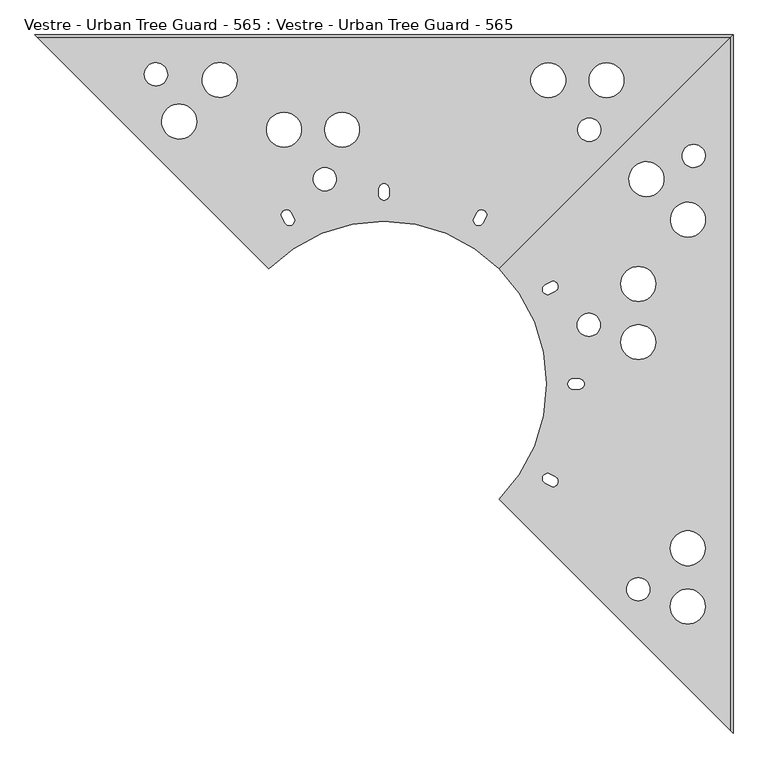
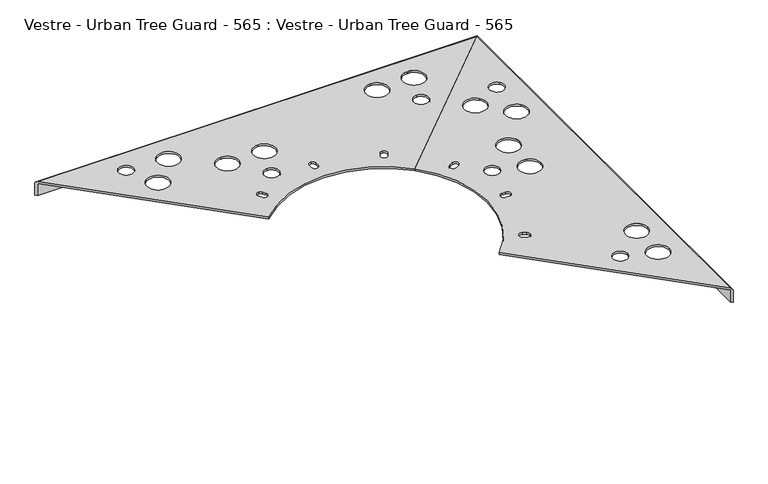
"""IFC4 building model written with IfcOpenShell, lengths in millimetres: furniture geometry, Vestre - Urban Tree Guard - 565 : Vestre - Urban Tree Guard - 565."""

from ifc_helpers import new_model, si_unit, frame, origin, place, context, project, spatial, polyline, circle_curve, ellipse_curve, source, transform, mapped, element, save
from ifc_brep_helpers import plane_surface, cylinder_surface, revolved_surface, advanced_brep


def vestre_urban_tree_guard_565_vestre_urban_tree_guard_565_dd06b250(model_context):
    return source(origin(), model_context, "Body", "AdvancedBrep", [
        advanced_brep(
        [(197.9898987, 197.9898987, 40.0), (197.9898987, -197.9898987, 40.0), (594.8, -594.8, 40.0), (594.8, 594.8, 40.0), (552.0929701, -382.4874784, 40.0), (492.0929701, -382.4874784, 40.0), (552.0929701, -282.4874784, 40.0), (492.0929701, -282.4874784, 40.0), (456.9653019, -352.8474801, 40.0), (416.9653019, -352.8474801, 40.0), (467.1830447, 71.9919609, 40.0), (407.1830447, 71.9919609, 40.0), (467.1830447, 171.9919609, 40.0), (407.1830447, 171.9919609, 40.0), (372.0553765, 101.6319592, 40.0), (332.0553765, 101.6319592, 40.0), (428.7496591, 332.1105133, 40.0), (473.3383486, 372.2583496, 40.0), (500.1600798, 262.237018, 40.0), (544.7487693, 302.3848543, 40.0), (517.2691252, 378.6111607, 40.0), (546.9949182, 405.376385, 40.0), (285.9582562, 154.7057714, 40.0), (276.9582562, 170.2942286, 40.0), (285.6185103, 175.2942286, 40.0), (299.1185103, 167.5, 40.0), (294.6185103, 159.7057714, 40.0), (335.0, 9.0, 40.0), (344.0, 0.0, 40.0), (335.0, -9.0, 40.0), (325.0, -9.0, 40.0), (325.0, 9.0, 40.0), (294.6185103, -159.7057714, 40.0), (299.1185103, -167.5, 40.0), (285.6185103, -175.2942286, 40.0), (276.9582562, -170.2942286, 40.0), (285.9582562, -154.7057714, 40.0), (600.0, 600.0, 0.0), (600.0, -600.0, 0.0), (594.8, -594.8, 0.0), (594.8, 594.8, 0.0), (594.8, 594.8, 35.0), (197.9898987, 197.9898987, 35.0), (600.0, 600.0, 34.8), (197.9898987, -197.9898987, 35.0), (600.0, -600.0, 34.8), (594.8, -594.8, 35.0), (552.0929701, -382.4874784, 35.0), (492.0929701, -382.4874784, 35.0), (552.0929701, -282.4874784, 35.0), (492.0929701, -282.4874784, 35.0), (456.9653019, -352.8474801, 35.0), (416.9653019, -352.8474801, 35.0), (467.1830447, 71.9919609, 35.0), (407.1830447, 71.9919609, 35.0), (467.1830447, 171.9919609, 35.0), (407.1830447, 171.9919609, 35.0), (372.0553765, 101.6319592, 35.0), (332.0553765, 101.6319592, 35.0), (428.7496591, 332.1105133, 35.0), (473.3383486, 372.2583496, 35.0), (500.1600798, 262.237018, 35.0), (544.7487693, 302.3848543, 35.0), (517.2691252, 378.6111607, 35.0), (546.9949182, 405.376385, 35.0), (285.9582562, 154.7057714, 35.0), (276.9582562, 170.2942286, 35.0), (285.6185103, 175.2942286, 35.0), (299.1185103, 167.5, 35.0), (294.6185103, 159.7057714, 35.0), (335.0, 9.0, 35.0), (344.0, 0.0, 35.0), (335.0, -9.0, 35.0), (325.0, -9.0, 35.0), (325.0, 9.0, 35.0), (294.6185103, -159.7057714, 35.0), (299.1185103, -167.5, 35.0), (285.6185103, -175.2942286, 35.0), (276.9582562, -170.2942286, 35.0), (285.9582562, -154.7057714, 35.0)],
        [
            (0, 1, circle_curve(frame((0.0, 0.0, 40.0), z_axis=(0.0, 0.0, -1.0), x_axis=(-1.0, 0.0, 0.0)), 280.0)),
            (1, 2),
            (2, 3),
            (3, 0),
            (4, 5, circle_curve(frame((522.0929701, -382.4874784, 40.0), z_axis=(0.0, 0.0, -1.0), x_axis=(-1.0, 0.0, 0.0)), 30.0)),
            (5, 4, circle_curve(frame((522.0929701, -382.4874784, 40.0), z_axis=(0.0, 0.0, -1.0), x_axis=(-1.0, 0.0, 0.0)), 30.0)),
            (6, 7, circle_curve(frame((522.0929701, -282.4874784, 40.0), z_axis=(0.0, 0.0, -1.0), x_axis=(-1.0, 0.0, 0.0)), 30.0)),
            (7, 6, circle_curve(frame((522.0929701, -282.4874784, 40.0), z_axis=(0.0, 0.0, -1.0), x_axis=(-1.0, 0.0, 0.0)), 30.0)),
            (8, 9, circle_curve(frame((436.9653019, -352.8474801, 40.0), z_axis=(0.0, 0.0, -1.0), x_axis=(-1.0, 0.0, 0.0)), 20.0)),
            (9, 8, circle_curve(frame((436.9653019, -352.8474801, 40.0), z_axis=(0.0, 0.0, -1.0), x_axis=(-1.0, 0.0, 0.0)), 20.0)),
            (10, 11, circle_curve(frame((437.1830447, 71.9919609, 40.0), z_axis=(0.0, 0.0, -1.0), x_axis=(-1.0, 0.0, 0.0)), 30.0)),
            (11, 10, circle_curve(frame((437.1830447, 71.9919609, 40.0), z_axis=(0.0, 0.0, -1.0), x_axis=(-1.0, 0.0, 0.0)), 30.0)),
            (12, 13, circle_curve(frame((437.1830447, 171.9919609, 40.0), z_axis=(0.0, 0.0, -1.0), x_axis=(-1.0, 0.0, 0.0)), 30.0)),
            (13, 12, circle_curve(frame((437.1830447, 171.9919609, 40.0), z_axis=(0.0, 0.0, -1.0), x_axis=(-1.0, 0.0, 0.0)), 30.0)),
            (14, 15, circle_curve(frame((352.0553765, 101.6319592, 40.0), z_axis=(0.0, 0.0, -1.0), x_axis=(-1.0, 0.0, 0.0)), 20.0)),
            (15, 14, circle_curve(frame((352.0553765, 101.6319592, 40.0), z_axis=(0.0, 0.0, -1.0), x_axis=(-1.0, 0.0, 0.0)), 20.0)),
            (16, 17, circle_curve(frame((451.0440038, 352.1844315, 40.0), z_axis=(0.0, 0.0, -1.0), x_axis=(0.743144825477788, 0.669130606358421, 0.0)), 30.0)),
            (17, 16, circle_curve(frame((451.0440038, 352.1844315, 40.0), z_axis=(0.0, 0.0, -1.0), x_axis=(0.743144825477788, 0.669130606358421, 0.0)), 30.0)),
            (18, 19, circle_curve(frame((522.4544246, 282.3109362, 40.0), z_axis=(0.0, 0.0, -1.0), x_axis=(0.743144825477788, 0.669130606358421, 0.0)), 30.0)),
            (19, 18, circle_curve(frame((522.4544246, 282.3109362, 40.0), z_axis=(0.0, 0.0, -1.0), x_axis=(0.743144825477788, 0.669130606358421, 0.0)), 30.0)),
            (20, 21, circle_curve(frame((532.1320217, 391.9937728, 40.0), z_axis=(0.0, 0.0, -1.0), x_axis=(0.743144825477788, 0.669130606358421, 0.0)), 20.0)),
            (21, 20, circle_curve(frame((532.1320217, 391.9937728, 40.0), z_axis=(0.0, 0.0, -1.0), x_axis=(0.743144825477788, 0.669130606358421, 0.0)), 20.0)),
            (22, 23, circle_curve(frame((281.4582562, 162.5, 40.0), z_axis=(0.0, 0.0, -1.0), x_axis=(-0.49999999999955885, 0.8660254037846933, 0.0)), 9.0)),
            (23, 24),
            (24, 25, circle_curve(frame((290.1185103, 167.5, 40.0), z_axis=(0.0, 0.0, -1.0), x_axis=(1.0, 0.0, 0.0)), 9.0)),
            (25, 26, circle_curve(frame((290.1185103, 167.5, 40.0), z_axis=(0.0, 0.0, -1.0), x_axis=(0.4999999999993161, -0.8660254037848335, 0.0)), 9.0)),
            (26, 22),
            (27, 28, circle_curve(frame((335.0, 0.0, 40.0), z_axis=(0.0, 0.0, -1.0), x_axis=(1.0, 0.0, 0.0)), 9.0)),
            (28, 29, circle_curve(frame((335.0, 0.0, 40.0), z_axis=(0.0, 0.0, -1.0), x_axis=(0.0, -1.0, 0.0)), 9.0)),
            (29, 30),
            (30, 31, circle_curve(frame((325.0, 0.0, 40.0), z_axis=(0.0, 0.0, -1.0), x_axis=(0.0, 1.0, 0.0)), 9.0)),
            (31, 27),
            (32, 33, circle_curve(frame((290.1185103, -167.5, 40.0), z_axis=(0.0, 0.0, -1.0), x_axis=(1.0, 0.0, 0.0)), 9.0)),
            (33, 34, circle_curve(frame((290.1185103, -167.5, 40.0), z_axis=(0.0, 0.0, -1.0), x_axis=(-0.5000000000005066, -0.8660254037841462, 0.0)), 9.0)),
            (34, 35),
            (35, 36, circle_curve(frame((281.4582562, -162.5, 40.0), z_axis=(0.0, 0.0, -1.0), x_axis=(0.5000000000005187, 0.8660254037841392, 0.0)), 9.0)),
            (36, 32),
            (37, 38),
            (38, 39),
            (39, 40),
            (40, 37),
            (40, 41),
            (41, 42),
            (42, 0),
            (3, 43, ellipse_curve(frame((594.8, 594.8, 34.8), z_axis=(-0.7071067811861339, 0.7071067811869611, 0.0), x_axis=(0.7071067811869611, 0.707106781186134, 0.0)), 7.3539105, 5.2)),
            (43, 37),
            (42, 44, circle_curve(frame((0.0, 0.0, 35.0), z_axis=(0.0, 0.0, -1.0), x_axis=(-1.0, 0.0, 0.0)), 280.0)),
            (44, 1),
            (38, 45),
            (45, 2, ellipse_curve(frame((594.8, -594.8, 34.8), z_axis=(-0.7071067811869646, -0.7071067811861306, 0.0), x_axis=(-0.7071067811861307, 0.7071067811869644, 0.0)), 7.3539105, 5.2)),
            (44, 46),
            (46, 39),
            (43, 45),
            (4, 47),
            (47, 48, circle_curve(frame((522.0929701, -382.4874784, 35.0), z_axis=(0.0, 0.0, -1.0), x_axis=(-1.0, 0.0, 0.0)), 30.0)),
            (48, 5),
            (48, 47, circle_curve(frame((522.0929701, -382.4874784, 35.0), z_axis=(0.0, 0.0, -1.0), x_axis=(-1.0, 0.0, 0.0)), 30.0)),
            (6, 49),
            (49, 50, circle_curve(frame((522.0929701, -282.4874784, 35.0), z_axis=(0.0, 0.0, -1.0), x_axis=(-1.0, 0.0, 0.0)), 30.0)),
            (50, 7),
            (50, 49, circle_curve(frame((522.0929701, -282.4874784, 35.0), z_axis=(0.0, 0.0, -1.0), x_axis=(-1.0, 0.0, 0.0)), 30.0)),
            (8, 51),
            (51, 52, circle_curve(frame((436.9653019, -352.8474801, 35.0), z_axis=(0.0, 0.0, -1.0), x_axis=(-1.0, 0.0, 0.0)), 20.0)),
            (52, 9),
            (52, 51, circle_curve(frame((436.9653019, -352.8474801, 35.0), z_axis=(0.0, 0.0, -1.0), x_axis=(-1.0, 0.0, 0.0)), 20.0)),
            (10, 53),
            (53, 54, circle_curve(frame((437.1830447, 71.9919609, 35.0), z_axis=(0.0, 0.0, -1.0), x_axis=(-1.0, 0.0, 0.0)), 30.0)),
            (54, 11),
            (54, 53, circle_curve(frame((437.1830447, 71.9919609, 35.0), z_axis=(0.0, 0.0, -1.0), x_axis=(-1.0, 0.0, 0.0)), 30.0)),
            (12, 55),
            (55, 56, circle_curve(frame((437.1830447, 171.9919609, 35.0), z_axis=(0.0, 0.0, -1.0), x_axis=(-1.0, 0.0, 0.0)), 30.0)),
            (56, 13),
            (56, 55, circle_curve(frame((437.1830447, 171.9919609, 35.0), z_axis=(0.0, 0.0, -1.0), x_axis=(-1.0, 0.0, 0.0)), 30.0)),
            (14, 57),
            (57, 58, circle_curve(frame((352.0553765, 101.6319592, 35.0), z_axis=(0.0, 0.0, -1.0), x_axis=(-1.0, 0.0, 0.0)), 20.0)),
            (58, 15),
            (58, 57, circle_curve(frame((352.0553765, 101.6319592, 35.0), z_axis=(0.0, 0.0, -1.0), x_axis=(-1.0, 0.0, 0.0)), 20.0)),
            (16, 59),
            (59, 60, circle_curve(frame((451.0440038, 352.1844315, 35.0), z_axis=(0.0, 0.0, -1.0), x_axis=(0.743144825477788, 0.669130606358421, 0.0)), 30.0)),
            (60, 17),
            (60, 59, circle_curve(frame((451.0440038, 352.1844315, 35.0), z_axis=(0.0, 0.0, -1.0), x_axis=(0.743144825477788, 0.669130606358421, 0.0)), 30.0)),
            (18, 61),
            (61, 62, circle_curve(frame((522.4544246, 282.3109362, 35.0), z_axis=(0.0, 0.0, -1.0), x_axis=(0.743144825477788, 0.669130606358421, 0.0)), 30.0)),
            (62, 19),
            (62, 61, circle_curve(frame((522.4544246, 282.3109362, 35.0), z_axis=(0.0, 0.0, -1.0), x_axis=(0.743144825477788, 0.669130606358421, 0.0)), 30.0)),
            (20, 63),
            (63, 64, circle_curve(frame((532.1320217, 391.9937728, 35.0), z_axis=(0.0, 0.0, -1.0), x_axis=(0.743144825477788, 0.669130606358421, 0.0)), 20.0)),
            (64, 21),
            (64, 63, circle_curve(frame((532.1320217, 391.9937728, 35.0), z_axis=(0.0, 0.0, -1.0), x_axis=(0.743144825477788, 0.669130606358421, 0.0)), 20.0)),
            (22, 65),
            (65, 66, circle_curve(frame((281.4582562, 162.5, 35.0), z_axis=(0.0, 0.0, -1.0), x_axis=(-0.49999999999955885, 0.8660254037846933, 0.0)), 9.0)),
            (66, 23),
            (66, 67),
            (67, 24),
            (67, 68, circle_curve(frame((290.1185103, 167.5, 35.0), z_axis=(0.0, 0.0, -1.0), x_axis=(1.0, 0.0, 0.0)), 9.0)),
            (68, 25),
            (68, 69, circle_curve(frame((290.1185103, 167.5, 35.0), z_axis=(0.0, 0.0, -1.0), x_axis=(0.4999999999993161, -0.8660254037848335, 0.0)), 9.0)),
            (69, 26),
            (69, 65),
            (27, 70),
            (70, 71, circle_curve(frame((335.0, 0.0, 35.0), z_axis=(0.0, 0.0, -1.0), x_axis=(1.0, 0.0, 0.0)), 9.0)),
            (71, 28),
            (71, 72, circle_curve(frame((335.0, 0.0, 35.0), z_axis=(0.0, 0.0, -1.0), x_axis=(0.0, -1.0, 0.0)), 9.0)),
            (72, 29),
            (72, 73),
            (73, 30),
            (73, 74, circle_curve(frame((325.0, 0.0, 35.0), z_axis=(0.0, 0.0, -1.0), x_axis=(0.0, 1.0, 0.0)), 9.0)),
            (74, 31),
            (74, 70),
            (32, 75),
            (75, 76, circle_curve(frame((290.1185103, -167.5, 35.0), z_axis=(0.0, 0.0, -1.0), x_axis=(1.0, 0.0, 0.0)), 9.0)),
            (76, 33),
            (76, 77, circle_curve(frame((290.1185103, -167.5, 35.0), z_axis=(0.0, 0.0, -1.0), x_axis=(-0.5000000000005066, -0.8660254037841462, 0.0)), 9.0)),
            (77, 34),
            (77, 78),
            (78, 35),
            (78, 79, circle_curve(frame((281.4582562, -162.5, 35.0), z_axis=(0.0, 0.0, -1.0), x_axis=(0.5000000000005187, 0.8660254037841392, 0.0)), 9.0)),
            (79, 36),
            (79, 75),
            (41, 46),
        ],
        [
            plane_surface(frame((197.9898987, 197.9898987, 40.0), z_axis=(0.0, 0.0, 1.0), x_axis=(-0.7071067811869611, -0.7071067811861339, 0.0))),
            plane_surface(frame((197.9898987, 197.9898987, 0.0), z_axis=(0.0, 0.0, -1.0), x_axis=(0.7071067811869611, 0.7071067811861339, 0.0))),
            plane_surface(frame((600.0, 600.0, 40.0), z_axis=(-0.7071067811861339, 0.7071067811869611, 0.0), x_axis=(0.0, 0.0, -1.0))),
            revolved_surface(polyline([(-280.0, 0.0, 35.0), (-280.0, 0.0, 40.0)]), (0.0, 0.0, 0.0), (0.0, 0.0, -1.0)),
            plane_surface(frame((197.9898987, -197.9898987, 40.0), z_axis=(-0.7071067811869646, -0.7071067811861306, 0.0), x_axis=(0.0, 0.0, -1.0))),
            plane_surface(frame((600.0, -600.0, 40.0), z_axis=(1.0, 0.0, 0.0), x_axis=(0.0, 0.0, -1.0))),
            revolved_surface(polyline([(492.0929701, -382.4874784, 35.0), (492.0929701, -382.4874784, 40.0)]), (522.0929701, -382.4874784, 0.0), (0.0, 0.0, -1.0)),
            revolved_surface(polyline([(492.0929701, -282.4874784, 35.0), (492.0929701, -282.4874784, 40.0)]), (522.0929701, -282.4874784, 0.0), (0.0, 0.0, -1.0)),
            revolved_surface(polyline([(416.9653019, -352.8474801, 35.0), (416.9653019, -352.8474801, 40.0)]), (436.9653019, -352.8474801, 0.0), (0.0, 0.0, -1.0)),
            revolved_surface(polyline([(407.1830447, 71.9919609, 35.0), (407.1830447, 71.9919609, 40.0)]), (437.1830447, 71.9919609, 0.0), (0.0, 0.0, -1.0)),
            revolved_surface(polyline([(407.1830447, 171.9919609, 35.0), (407.1830447, 171.9919609, 40.0)]), (437.1830447, 171.9919609, 0.0), (0.0, 0.0, -1.0)),
            revolved_surface(polyline([(332.0553765, 101.6319592, 35.0), (332.0553765, 101.6319592, 40.0)]), (352.0553765, 101.6319592, 0.0), (0.0, 0.0, -1.0)),
            revolved_surface(polyline([(473.3383485643336, 372.25834969075265, 35.000000000000014), (473.3383485643336, 372.25834969075265, 40.000000000000014)]), (451.0440038, 352.1844315, 0.0), (0.0, 0.0, -1.0000000000000002)),
            revolved_surface(polyline([(544.7487693643337, 302.38485439075265, 35.000000000000014), (544.7487693643337, 302.38485439075265, 40.000000000000014)]), (522.4544246, 282.3109362, 0.0), (0.0, 0.0, -1.0000000000000002)),
            revolved_surface(polyline([(546.9949182095557, 405.37638492716843, 35.000000000000014), (546.9949182095557, 405.37638492716843, 40.000000000000014)]), (532.1320217, 391.9937728, 0.0), (0.0, 0.0, -1.0000000000000002)),
            revolved_surface(polyline([(276.958256200004, 170.29422863406225, 35.0), (276.958256200004, 170.29422863406225, 40.0)]), (281.4582562, 162.5, 0.0), (0.0, 0.0, -1.0)),
            plane_surface(frame((276.9582562, 170.2942286, 40.0), z_axis=(0.49999999999953754, -0.8660254037847056, 0.0), x_axis=(0.0, 0.0, -1.0))),
            revolved_surface(polyline([(299.1185103, 167.5, 35.0), (299.1185103, 167.5, 40.0)]), (290.1185103, 167.5, 0.0), (0.0, 0.0, -1.0)),
            revolved_surface(polyline([(294.6185102999939, 159.7057713659365, 35.0), (294.6185102999939, 159.7057713659365, 40.0)]), (290.1185103, 167.5, 0.0), (0.0, 0.0, -1.0)),
            plane_surface(frame((294.6185103, 159.7057714, 40.0), z_axis=(-0.49999999999946204, 0.8660254037847493, 0.0), x_axis=(0.0, 0.0, -1.0))),
            revolved_surface(polyline([(344.0, 0.0, 35.0), (344.0, 0.0, 40.0)]), (335.0, 0.0, 0.0), (0.0, 0.0, -1.0)),
            revolved_surface(polyline([(335.0, -9.0, 35.0), (335.0, -9.0, 40.0)]), (335.0, 0.0, 0.0), (0.0, 0.0, -1.0)),
            plane_surface(frame((335.0, -9.0, 40.0), z_axis=(0.0, 1.0, 0.0), x_axis=(0.0, 0.0, -1.0))),
            revolved_surface(polyline([(325.0, 9.0, 35.0), (325.0, 9.0, 40.0)]), (325.0, 0.0, 0.0), (0.0, 0.0, -1.0)),
            plane_surface(frame((325.0, 9.0, 40.0), z_axis=(0.0, -1.0, 0.0), x_axis=(0.0, 0.0, -1.0))),
            revolved_surface(polyline([(299.1185103, -167.5, 35.0), (299.1185103, -167.5, 40.0)]), (290.1185103, -167.5, 0.0), (0.0, 0.0, -1.0)),
            revolved_surface(polyline([(285.6185102999955, -175.2942286340573, 35.0), (285.6185102999955, -175.2942286340573, 40.0)]), (290.1185103, -167.5, 0.0), (0.0, 0.0, -1.0)),
            plane_surface(frame((285.6185103, -175.2942286, 40.0), z_axis=(0.5000000000005355, 0.8660254037841295, 0.0), x_axis=(0.0, 0.0, -1.0))),
            revolved_surface(polyline([(285.95825620000466, -154.70577136594275, 35.0), (285.95825620000466, -154.70577136594275, 40.0)]), (281.4582562, -162.5, 0.0), (0.0, 0.0, -1.0)),
            plane_surface(frame((285.9582562, -154.7057714, 40.0), z_axis=(-0.5000000000005246, -0.8660254037841358, 0.0), x_axis=(0.0, 0.0, -1.0))),
            plane_surface(frame((-594.8, 594.8, 35.0), z_axis=(0.0, 0.0, -1.0), x_axis=(0.0, -1.0, 0.0))),
            plane_surface(frame((594.8, -594.8, 35.0), z_axis=(-1.0, 0.0, 0.0), x_axis=(0.0, 0.0, -1.0))),
            cylinder_surface(frame((594.8, -600.0, 34.8), z_axis=(0.0, 1.0, 0.0), x_axis=(1.0, 0.0, 0.0)), 5.2),
        ],
        [
            (0, [[1, 2, 3, 4], [5, 6], [7, 8], [9, 10], [11, 12], [13, 14], [15, 16], [17, 18], [19, 20], [21, 22], [23, 24, 25, 26, 27], [28, 29, 30, 31, 32], [33, 34, 35, 36, 37]]),
            (1, [[38, 39, 40, 41]]),
            (2, [[-41, 42, 43, 44, -4, 45, 46]]),
            (3, [[-1, -44, 47, 48]]),
            (4, [[-39, 49, 50, -2, -48, 51, 52]]),
            (5, [[-38, -46, 53, -49]]),
            (6, [[-5, 54, 55, 56]]),
            (6, [[-6, -56, 57, -54]]),
            (7, [[-7, 58, 59, 60]]),
            (7, [[-8, -60, 61, -58]]),
            (8, [[-9, 62, 63, 64]]),
            (8, [[-10, -64, 65, -62]]),
            (9, [[-11, 66, 67, 68]]),
            (9, [[-12, -68, 69, -66]]),
            (10, [[-13, 70, 71, 72]]),
            (10, [[-14, -72, 73, -70]]),
            (11, [[-15, 74, 75, 76]]),
            (11, [[-16, -76, 77, -74]]),
            (12, [[-17, 78, 79, 80]]),
            (12, [[-18, -80, 81, -78]]),
            (13, [[-19, 82, 83, 84]]),
            (13, [[-20, -84, 85, -82]]),
            (14, [[-21, 86, 87, 88]]),
            (14, [[-22, -88, 89, -86]]),
            (15, [[-23, 90, 91, 92]]),
            (16, [[-24, -92, 93, 94]]),
            (17, [[-25, -94, 95, 96]]),
            (18, [[-26, -96, 97, 98]]),
            (19, [[-27, -98, 99, -90]]),
            (20, [[-28, 100, 101, 102]]),
            (21, [[-29, -102, 103, 104]]),
            (22, [[-30, -104, 105, 106]]),
            (23, [[-31, -106, 107, 108]]),
            (24, [[-32, -108, 109, -100]]),
            (25, [[-33, 110, 111, 112]]),
            (26, [[-34, -112, 113, 114]]),
            (27, [[-35, -114, 115, 116]]),
            (28, [[-36, -116, 117, 118]]),
            (29, [[-37, -118, 119, -110]]),
            (30, [[120, -51, -47, -43], [-55, -57], [-59, -61], [-63, -65], [-67, -69], [-71, -73], [-75, -77], [-79, -81], [-83, -85], [-87, -89], [-91, -99, -97, -95, -93], [-101, -109, -107, -105, -103], [-111, -119, -117, -115, -113]]),
            (31, [[-120, -42, -40, -52]]),
            (32, [[-3, -50, -53, -45]]),
        ],
    ),
        advanced_brep(
        [(-197.9898987, 197.9898987, 40.0), (197.9898987, 197.9898987, 40.0), (594.8, 594.8, 40.0), (-594.8, 594.8, 40.0), (382.4874784, 552.0929701, 40.0), (382.4874784, 492.0929701, 40.0), (282.4874784, 552.0929701, 40.0), (282.4874784, 492.0929701, 40.0), (352.8474801, 456.9653019, 40.0), (352.8474801, 416.9653019, 40.0), (-71.9919609, 467.1830447, 40.0), (-71.9919609, 407.1830447, 40.0), (-171.9919609, 467.1830447, 40.0), (-171.9919609, 407.1830447, 40.0), (-101.6319592, 372.0553765, 40.0), (-101.6319592, 332.0553765, 40.0), (-332.1105133, 428.7496591, 40.0), (-372.2583496, 473.3383486, 40.0), (-262.237018, 500.1600798, 40.0), (-302.3848543, 544.7487693, 40.0), (-378.6111607, 517.2691252, 40.0), (-405.376385, 546.9949182, 40.0), (-154.7057714, 285.9582562, 40.0), (-170.2942286, 276.9582562, 40.0), (-175.2942286, 285.6185103, 40.0), (-167.5, 299.1185103, 40.0), (-159.7057714, 294.6185103, 40.0), (-9.0, 335.0, 40.0), (0.0, 344.0, 40.0), (9.0, 335.0, 40.0), (9.0, 325.0, 40.0), (-9.0, 325.0, 40.0), (159.7057714, 294.6185103, 40.0), (167.5, 299.1185103, 40.0), (175.2942286, 285.6185103, 40.0), (170.2942286, 276.9582562, 40.0), (154.7057714, 285.9582562, 40.0), (-600.0, 600.0, 0.0), (600.0, 600.0, 0.0), (594.8, 594.8, 0.0), (-594.8, 594.8, 0.0), (-594.8, 594.8, 35.0), (-197.9898987, 197.9898987, 35.0), (-600.0, 600.0, 34.8), (197.9898987, 197.9898987, 35.0), (600.0, 600.0, 34.8), (594.8, 594.8, 35.0), (382.4874784, 552.0929701, 35.0), (382.4874784, 492.0929701, 35.0), (282.4874784, 552.0929701, 35.0), (282.4874784, 492.0929701, 35.0), (352.8474801, 456.9653019, 35.0), (352.8474801, 416.9653019, 35.0), (-71.9919609, 467.1830447, 35.0), (-71.9919609, 407.1830447, 35.0), (-171.9919609, 467.1830447, 35.0), (-171.9919609, 407.1830447, 35.0), (-101.6319592, 372.0553765, 35.0), (-101.6319592, 332.0553765, 35.0), (-332.1105133, 428.7496591, 35.0), (-372.2583496, 473.3383486, 35.0), (-262.237018, 500.1600798, 35.0), (-302.3848543, 544.7487693, 35.0), (-378.6111607, 517.2691252, 35.0), (-405.376385, 546.9949182, 35.0), (-154.7057714, 285.9582562, 35.0), (-170.2942286, 276.9582562, 35.0), (-175.2942286, 285.6185103, 35.0), (-167.5, 299.1185103, 35.0), (-159.7057714, 294.6185103, 35.0), (-9.0, 335.0, 35.0), (0.0, 344.0, 35.0), (9.0, 335.0, 35.0), (9.0, 325.0, 35.0), (-9.0, 325.0, 35.0), (159.7057714, 294.6185103, 35.0), (167.5, 299.1185103, 35.0), (175.2942286, 285.6185103, 35.0), (170.2942286, 276.9582562, 35.0), (154.7057714, 285.9582562, 35.0)],
        [
            (0, 1, circle_curve(frame((0.0, 0.0, 40.0), z_axis=(0.0, 0.0, -1.0), x_axis=(0.0, -1.0, 0.0)), 280.0)),
            (1, 2),
            (2, 3),
            (3, 0),
            (4, 5, circle_curve(frame((382.4874784, 522.0929701, 40.0), z_axis=(0.0, 0.0, -1.0), x_axis=(0.0, -1.0, 0.0)), 30.0)),
            (5, 4, circle_curve(frame((382.4874784, 522.0929701, 40.0), z_axis=(0.0, 0.0, -1.0), x_axis=(0.0, -1.0, 0.0)), 30.0)),
            (6, 7, circle_curve(frame((282.4874784, 522.0929701, 40.0), z_axis=(0.0, 0.0, -1.0), x_axis=(0.0, -1.0, 0.0)), 30.0)),
            (7, 6, circle_curve(frame((282.4874784, 522.0929701, 40.0), z_axis=(0.0, 0.0, -1.0), x_axis=(0.0, -1.0, 0.0)), 30.0)),
            (8, 9, circle_curve(frame((352.8474801, 436.9653019, 40.0), z_axis=(0.0, 0.0, -1.0), x_axis=(0.0, -1.0, 0.0)), 20.0)),
            (9, 8, circle_curve(frame((352.8474801, 436.9653019, 40.0), z_axis=(0.0, 0.0, -1.0), x_axis=(0.0, -1.0, 0.0)), 20.0)),
            (10, 11, circle_curve(frame((-71.9919609, 437.1830447, 40.0), z_axis=(0.0, 0.0, -1.0), x_axis=(0.0, -1.0, 0.0)), 30.0)),
            (11, 10, circle_curve(frame((-71.9919609, 437.1830447, 40.0), z_axis=(0.0, 0.0, -1.0), x_axis=(0.0, -1.0, 0.0)), 30.0)),
            (12, 13, circle_curve(frame((-171.9919609, 437.1830447, 40.0), z_axis=(0.0, 0.0, -1.0), x_axis=(0.0, -1.0, 0.0)), 30.0)),
            (13, 12, circle_curve(frame((-171.9919609, 437.1830447, 40.0), z_axis=(0.0, 0.0, -1.0), x_axis=(0.0, -1.0, 0.0)), 30.0)),
            (14, 15, circle_curve(frame((-101.6319592, 352.0553765, 40.0), z_axis=(0.0, 0.0, -1.0), x_axis=(0.0, -1.0, 0.0)), 20.0)),
            (15, 14, circle_curve(frame((-101.6319592, 352.0553765, 40.0), z_axis=(0.0, 0.0, -1.0), x_axis=(0.0, -1.0, 0.0)), 20.0)),
            (16, 17, circle_curve(frame((-352.1844315, 451.0440038, 40.0), z_axis=(0.0, 0.0, -1.0), x_axis=(-0.669130606358875, 0.7431448254773793, 0.0)), 30.0)),
            (17, 16, circle_curve(frame((-352.1844315, 451.0440038, 40.0), z_axis=(0.0, 0.0, -1.0), x_axis=(-0.669130606358875, 0.7431448254773793, 0.0)), 30.0)),
            (18, 19, circle_curve(frame((-282.3109362, 522.4544246, 40.0), z_axis=(0.0, 0.0, -1.0), x_axis=(-0.669130606358875, 0.7431448254773793, 0.0)), 30.0)),
            (19, 18, circle_curve(frame((-282.3109362, 522.4544246, 40.0), z_axis=(0.0, 0.0, -1.0), x_axis=(-0.669130606358875, 0.7431448254773793, 0.0)), 30.0)),
            (20, 21, circle_curve(frame((-391.9937728, 532.1320217, 40.0), z_axis=(0.0, 0.0, -1.0), x_axis=(-0.669130606358875, 0.7431448254773793, 0.0)), 20.0)),
            (21, 20, circle_curve(frame((-391.9937728, 532.1320217, 40.0), z_axis=(0.0, 0.0, -1.0), x_axis=(-0.669130606358875, 0.7431448254773793, 0.0)), 20.0)),
            (22, 23, circle_curve(frame((-162.5, 281.4582562, 40.0), z_axis=(0.0, 0.0, -1.0), x_axis=(-0.8660254037843879, -0.5000000000000879, 0.0)), 9.0)),
            (23, 24),
            (24, 25, circle_curve(frame((-167.5, 290.1185103, 40.0), z_axis=(0.0, 0.0, -1.0), x_axis=(0.0, 1.0, 0.0)), 9.0)),
            (25, 26, circle_curve(frame((-167.5, 290.1185103, 40.0), z_axis=(0.0, 0.0, -1.0), x_axis=(0.8660254037845281, 0.4999999999998452, 0.0)), 9.0)),
            (26, 22),
            (27, 28, circle_curve(frame((0.0, 335.0, 40.0), z_axis=(0.0, 0.0, -1.0), x_axis=(0.0, 1.0, 0.0)), 9.0)),
            (28, 29, circle_curve(frame((0.0, 335.0, 40.0), z_axis=(0.0, 0.0, -1.0), x_axis=(1.0, 0.0, 0.0)), 9.0)),
            (29, 30),
            (30, 31, circle_curve(frame((0.0, 325.0, 40.0), z_axis=(0.0, 0.0, -1.0), x_axis=(-1.0, 0.0, 0.0)), 9.0)),
            (31, 27),
            (32, 33, circle_curve(frame((167.5, 290.1185103, 40.0), z_axis=(0.0, 0.0, -1.0), x_axis=(0.0, 1.0, 0.0)), 9.0)),
            (33, 34, circle_curve(frame((167.5, 290.1185103, 40.0), z_axis=(0.0, 0.0, -1.0), x_axis=(0.8660254037844516, -0.4999999999999775, 0.0)), 9.0)),
            (34, 35),
            (35, 36, circle_curve(frame((162.5, 281.4582562, 40.0), z_axis=(0.0, 0.0, -1.0), x_axis=(-0.8660254037844446, 0.4999999999999896, 0.0)), 9.0)),
            (36, 32),
            (37, 38),
            (38, 39),
            (39, 40),
            (40, 37),
            (40, 41),
            (41, 42),
            (42, 0),
            (3, 43, ellipse_curve(frame((-594.8, 594.8, 34.8), z_axis=(-0.7071067811865293, -0.7071067811865658, 0.0), x_axis=(-0.7071067811865658, 0.7071067811865293, 0.0)), 7.3539105, 5.2)),
            (43, 37),
            (42, 44, circle_curve(frame((0.0, 0.0, 35.0), z_axis=(0.0, 0.0, -1.0), x_axis=(0.0, -1.0, 0.0)), 280.0)),
            (44, 1),
            (38, 45),
            (45, 2, ellipse_curve(frame((594.8, 594.8, 34.8), z_axis=(0.7071067811865627, -0.7071067811865325, 0.0), x_axis=(-0.7071067811865323, -0.7071067811865628, 0.0)), 7.3539105, 5.2)),
            (44, 46),
            (46, 39),
            (43, 45),
            (4, 47),
            (47, 48, circle_curve(frame((382.4874784, 522.0929701, 35.0), z_axis=(0.0, 0.0, -1.0), x_axis=(0.0, -1.0, 0.0)), 30.0)),
            (48, 5),
            (48, 47, circle_curve(frame((382.4874784, 522.0929701, 35.0), z_axis=(0.0, 0.0, -1.0), x_axis=(0.0, -1.0, 0.0)), 30.0)),
            (6, 49),
            (49, 50, circle_curve(frame((282.4874784, 522.0929701, 35.0), z_axis=(0.0, 0.0, -1.0), x_axis=(0.0, -1.0, 0.0)), 30.0)),
            (50, 7),
            (50, 49, circle_curve(frame((282.4874784, 522.0929701, 35.0), z_axis=(0.0, 0.0, -1.0), x_axis=(0.0, -1.0, 0.0)), 30.0)),
            (8, 51),
            (51, 52, circle_curve(frame((352.8474801, 436.9653019, 35.0), z_axis=(0.0, 0.0, -1.0), x_axis=(0.0, -1.0, 0.0)), 20.0)),
            (52, 9),
            (52, 51, circle_curve(frame((352.8474801, 436.9653019, 35.0), z_axis=(0.0, 0.0, -1.0), x_axis=(0.0, -1.0, 0.0)), 20.0)),
            (10, 53),
            (53, 54, circle_curve(frame((-71.9919609, 437.1830447, 35.0), z_axis=(0.0, 0.0, -1.0), x_axis=(0.0, -1.0, 0.0)), 30.0)),
            (54, 11),
            (54, 53, circle_curve(frame((-71.9919609, 437.1830447, 35.0), z_axis=(0.0, 0.0, -1.0), x_axis=(0.0, -1.0, 0.0)), 30.0)),
            (12, 55),
            (55, 56, circle_curve(frame((-171.9919609, 437.1830447, 35.0), z_axis=(0.0, 0.0, -1.0), x_axis=(0.0, -1.0, 0.0)), 30.0)),
            (56, 13),
            (56, 55, circle_curve(frame((-171.9919609, 437.1830447, 35.0), z_axis=(0.0, 0.0, -1.0), x_axis=(0.0, -1.0, 0.0)), 30.0)),
            (14, 57),
            (57, 58, circle_curve(frame((-101.6319592, 352.0553765, 35.0), z_axis=(0.0, 0.0, -1.0), x_axis=(0.0, -1.0, 0.0)), 20.0)),
            (58, 15),
            (58, 57, circle_curve(frame((-101.6319592, 352.0553765, 35.0), z_axis=(0.0, 0.0, -1.0), x_axis=(0.0, -1.0, 0.0)), 20.0)),
            (16, 59),
            (59, 60, circle_curve(frame((-352.1844315, 451.0440038, 35.0), z_axis=(0.0, 0.0, -1.0), x_axis=(-0.669130606358875, 0.7431448254773793, 0.0)), 30.0)),
            (60, 17),
            (60, 59, circle_curve(frame((-352.1844315, 451.0440038, 35.0), z_axis=(0.0, 0.0, -1.0), x_axis=(-0.669130606358875, 0.7431448254773793, 0.0)), 30.0)),
            (18, 61),
            (61, 62, circle_curve(frame((-282.3109362, 522.4544246, 35.0), z_axis=(0.0, 0.0, -1.0), x_axis=(-0.669130606358875, 0.7431448254773793, 0.0)), 30.0)),
            (62, 19),
            (62, 61, circle_curve(frame((-282.3109362, 522.4544246, 35.0), z_axis=(0.0, 0.0, -1.0), x_axis=(-0.669130606358875, 0.7431448254773793, 0.0)), 30.0)),
            (20, 63),
            (63, 64, circle_curve(frame((-391.9937728, 532.1320217, 35.0), z_axis=(0.0, 0.0, -1.0), x_axis=(-0.669130606358875, 0.7431448254773793, 0.0)), 20.0)),
            (64, 21),
            (64, 63, circle_curve(frame((-391.9937728, 532.1320217, 35.0), z_axis=(0.0, 0.0, -1.0), x_axis=(-0.669130606358875, 0.7431448254773793, 0.0)), 20.0)),
            (22, 65),
            (65, 66, circle_curve(frame((-162.5, 281.4582562, 35.0), z_axis=(0.0, 0.0, -1.0), x_axis=(-0.8660254037843879, -0.5000000000000879, 0.0)), 9.0)),
            (66, 23),
            (66, 67),
            (67, 24),
            (67, 68, circle_curve(frame((-167.5, 290.1185103, 35.0), z_axis=(0.0, 0.0, -1.0), x_axis=(0.0, 1.0, 0.0)), 9.0)),
            (68, 25),
            (68, 69, circle_curve(frame((-167.5, 290.1185103, 35.0), z_axis=(0.0, 0.0, -1.0), x_axis=(0.8660254037845281, 0.4999999999998452, 0.0)), 9.0)),
            (69, 26),
            (69, 65),
            (27, 70),
            (70, 71, circle_curve(frame((0.0, 335.0, 35.0), z_axis=(0.0, 0.0, -1.0), x_axis=(0.0, 1.0, 0.0)), 9.0)),
            (71, 28),
            (71, 72, circle_curve(frame((0.0, 335.0, 35.0), z_axis=(0.0, 0.0, -1.0), x_axis=(1.0, 0.0, 0.0)), 9.0)),
            (72, 29),
            (72, 73),
            (73, 30),
            (73, 74, circle_curve(frame((0.0, 325.0, 35.0), z_axis=(0.0, 0.0, -1.0), x_axis=(-1.0, 0.0, 0.0)), 9.0)),
            (74, 31),
            (74, 70),
            (32, 75),
            (75, 76, circle_curve(frame((167.5, 290.1185103, 35.0), z_axis=(0.0, 0.0, -1.0), x_axis=(0.0, 1.0, 0.0)), 9.0)),
            (76, 33),
            (76, 77, circle_curve(frame((167.5, 290.1185103, 35.0), z_axis=(0.0, 0.0, -1.0), x_axis=(0.8660254037844516, -0.4999999999999775, 0.0)), 9.0)),
            (77, 34),
            (77, 78),
            (78, 35),
            (78, 79, circle_curve(frame((162.5, 281.4582562, 35.0), z_axis=(0.0, 0.0, -1.0), x_axis=(-0.8660254037844446, 0.4999999999999896, 0.0)), 9.0)),
            (79, 36),
            (79, 75),
            (41, 46),
        ],
        [
            plane_surface(frame((-197.9898987, 197.9898987, 40.0), z_axis=(0.0, 0.0, 1.0), x_axis=(0.7071067811865658, -0.7071067811865293, 0.0))),
            plane_surface(frame((-197.9898987, 197.9898987, 0.0), z_axis=(0.0, 0.0, -1.0), x_axis=(-0.7071067811865658, 0.7071067811865293, 0.0))),
            plane_surface(frame((-600.0, 600.0, 40.0), z_axis=(-0.7071067811865293, -0.7071067811865658, 0.0), x_axis=(0.0, 0.0, -1.0))),
            revolved_surface(polyline([(0.0, -280.0, 35.0), (0.0, -280.0, 40.0)]), (0.0, 0.0, 0.0), (0.0, 0.0, -1.0)),
            plane_surface(frame((197.9898987, 197.9898987, 40.0), z_axis=(0.7071067811865627, -0.7071067811865325, 0.0), x_axis=(0.0, 0.0, -1.0))),
            plane_surface(frame((600.0, 600.0, 40.0), z_axis=(0.0, 1.0, 0.0), x_axis=(0.0, 0.0, -1.0))),
            revolved_surface(polyline([(382.4874784, 492.0929701, 35.0), (382.4874784, 492.0929701, 40.0)]), (382.4874784, 522.0929701, 0.0), (0.0, 0.0, -1.0)),
            revolved_surface(polyline([(282.4874784, 492.0929701, 35.0), (282.4874784, 492.0929701, 40.0)]), (282.4874784, 522.0929701, 0.0), (0.0, 0.0, -1.0)),
            revolved_surface(polyline([(352.8474801, 416.9653019, 35.0), (352.8474801, 416.9653019, 40.0)]), (352.8474801, 436.9653019, 0.0), (0.0, 0.0, -1.0)),
            revolved_surface(polyline([(-71.9919609, 407.1830447, 35.0), (-71.9919609, 407.1830447, 40.0)]), (-71.9919609, 437.1830447, 0.0), (0.0, 0.0, -1.0)),
            revolved_surface(polyline([(-171.9919609, 407.1830447, 35.0), (-171.9919609, 407.1830447, 40.0)]), (-171.9919609, 437.1830447, 0.0), (0.0, 0.0, -1.0)),
            revolved_surface(polyline([(-101.6319592, 332.0553765, 35.0), (-101.6319592, 332.0553765, 40.0)]), (-101.6319592, 352.0553765, 0.0), (0.0, 0.0, -1.0)),
            revolved_surface(polyline([(-372.2583496907663, 473.33834856432134, 35.000000000000014), (-372.2583496907663, 473.33834856432134, 40.000000000000014)]), (-352.1844315, 451.0440038, 0.0), (0.0, 0.0, -1.0000000000000002)),
            revolved_surface(polyline([(-302.38485439076624, 544.7487693643214, 35.000000000000014), (-302.38485439076624, 544.7487693643214, 40.000000000000014)]), (-282.3109362, 522.4544246, 0.0), (0.0, 0.0, -1.0000000000000002)),
            revolved_surface(polyline([(-405.37638492717747, 546.9949182095476, 35.000000000000014), (-405.37638492717747, 546.9949182095476, 40.000000000000014)]), (-391.9937728, 532.1320217, 0.0), (0.0, 0.0, -1.0000000000000002)),
            revolved_surface(polyline([(-170.2942286340595, 276.9582561999992, 35.0), (-170.2942286340595, 276.9582561999992, 40.0)]), (-162.5, 281.4582562, 0.0), (0.0, 0.0, -1.0)),
            plane_surface(frame((-170.2942286, 276.9582562, 40.0), z_axis=(0.8660254037844003, 0.5000000000000664, 0.0), x_axis=(0.0, 0.0, -1.0))),
            revolved_surface(polyline([(-167.5, 299.1185103, 35.0), (-167.5, 299.1185103, 40.0)]), (-167.5, 290.1185103, 0.0), (0.0, 0.0, -1.0)),
            revolved_surface(polyline([(-159.70577136593926, 294.6185102999986, 35.0), (-159.70577136593926, 294.6185102999986, 40.0)]), (-167.5, 290.1185103, 0.0), (0.0, 0.0, -1.0)),
            plane_surface(frame((-159.7057714, 294.6185103, 40.0), z_axis=(-0.8660254037844439, -0.4999999999999909, 0.0), x_axis=(0.0, 0.0, -1.0))),
            revolved_surface(polyline([(0.0, 344.0, 35.0), (0.0, 344.0, 40.0)]), (0.0, 335.0, 0.0), (0.0, 0.0, -1.0)),
            revolved_surface(polyline([(9.0, 335.0, 35.0), (9.0, 335.0, 40.0)]), (0.0, 335.0, 0.0), (0.0, 0.0, -1.0)),
            plane_surface(frame((9.0, 335.0, 40.0), z_axis=(-1.0, 0.0, 0.0), x_axis=(0.0, 0.0, -1.0))),
            revolved_surface(polyline([(-9.0, 325.0, 35.0), (-9.0, 325.0, 40.0)]), (0.0, 325.0, 0.0), (0.0, 0.0, -1.0)),
            plane_surface(frame((-9.0, 325.0, 40.0), z_axis=(1.0, 0.0, 0.0), x_axis=(0.0, 0.0, -1.0))),
            revolved_surface(polyline([(167.5, 299.1185103, 35.0), (167.5, 299.1185103, 40.0)]), (167.5, 290.1185103, 0.0), (0.0, 0.0, -1.0)),
            revolved_surface(polyline([(175.29422863406006, 285.61851030000025, 35.0), (175.29422863406006, 285.61851030000025, 40.0)]), (167.5, 290.1185103, 0.0), (0.0, 0.0, -1.0)),
            plane_surface(frame((175.2942286, 285.6185103, 40.0), z_axis=(-0.8660254037844284, 0.5000000000000179, 0.0), x_axis=(0.0, 0.0, -1.0))),
            revolved_surface(polyline([(154.70577136594, 285.9582561999999, 35.0), (154.70577136594, 285.9582561999999, 40.0)]), (162.5, 281.4582562, 0.0), (0.0, 0.0, -1.0)),
            plane_surface(frame((154.7057714, 285.9582562, 40.0), z_axis=(0.8660254037844399, -0.49999999999999784, 0.0), x_axis=(0.0, 0.0, -1.0))),
            plane_surface(frame((-594.8, 594.8, 35.0), z_axis=(0.0, 0.0, -1.0), x_axis=(0.0, -1.0, 0.0))),
            plane_surface(frame((594.8, 594.8, 35.0), z_axis=(0.0, -1.0, 0.0), x_axis=(0.0, 0.0, -1.0))),
            cylinder_surface(frame((600.0, 594.8, 34.8), z_axis=(-1.0, 0.0, 0.0), x_axis=(0.0, 1.0, 0.0)), 5.2),
        ],
        [
            (0, [[1, 2, 3, 4], [5, 6], [7, 8], [9, 10], [11, 12], [13, 14], [15, 16], [17, 18], [19, 20], [21, 22], [23, 24, 25, 26, 27], [28, 29, 30, 31, 32], [33, 34, 35, 36, 37]]),
            (1, [[38, 39, 40, 41]]),
            (2, [[-41, 42, 43, 44, -4, 45, 46]]),
            (3, [[-1, -44, 47, 48]]),
            (4, [[-39, 49, 50, -2, -48, 51, 52]]),
            (5, [[-38, -46, 53, -49]]),
            (6, [[-5, 54, 55, 56]]),
            (6, [[-6, -56, 57, -54]]),
            (7, [[-7, 58, 59, 60]]),
            (7, [[-8, -60, 61, -58]]),
            (8, [[-9, 62, 63, 64]]),
            (8, [[-10, -64, 65, -62]]),
            (9, [[-11, 66, 67, 68]]),
            (9, [[-12, -68, 69, -66]]),
            (10, [[-13, 70, 71, 72]]),
            (10, [[-14, -72, 73, -70]]),
            (11, [[-15, 74, 75, 76]]),
            (11, [[-16, -76, 77, -74]]),
            (12, [[-17, 78, 79, 80]]),
            (12, [[-18, -80, 81, -78]]),
            (13, [[-19, 82, 83, 84]]),
            (13, [[-20, -84, 85, -82]]),
            (14, [[-21, 86, 87, 88]]),
            (14, [[-22, -88, 89, -86]]),
            (15, [[-23, 90, 91, 92]]),
            (16, [[-24, -92, 93, 94]]),
            (17, [[-25, -94, 95, 96]]),
            (18, [[-26, -96, 97, 98]]),
            (19, [[-27, -98, 99, -90]]),
            (20, [[-28, 100, 101, 102]]),
            (21, [[-29, -102, 103, 104]]),
            (22, [[-30, -104, 105, 106]]),
            (23, [[-31, -106, 107, 108]]),
            (24, [[-32, -108, 109, -100]]),
            (25, [[-33, 110, 111, 112]]),
            (26, [[-34, -112, 113, 114]]),
            (27, [[-35, -114, 115, 116]]),
            (28, [[-36, -116, 117, 118]]),
            (29, [[-37, -118, 119, -110]]),
            (30, [[120, -51, -47, -43], [-55, -57], [-59, -61], [-63, -65], [-67, -69], [-71, -73], [-75, -77], [-79, -81], [-83, -85], [-87, -89], [-91, -99, -97, -95, -93], [-101, -109, -107, -105, -103], [-111, -119, -117, -115, -113]]),
            (31, [[-120, -42, -40, -52]]),
            (32, [[-3, -50, -53, -45]]),
        ],
    ),
    ])


if __name__ == "__main__":
    model = new_model("IFC4")
    model_context = context("Model", 3, world=origin())
    ifc_project = project(units=[si_unit("LENGTHUNIT", "METRE", prefix="MILLI")], contexts=[model_context])
    site = spatial("IfcSite", under=ifc_project)
    building = spatial("IfcBuilding", under=site)
    placement = place(None, origin())
    vestre_urban_tree_guard_565_vestre_urban_tree_guard_565_shape = vestre_urban_tree_guard_565_vestre_urban_tree_guard_565_dd06b250(model_context)
    element("IfcFurniture", 1, ObjectType="Vestre - Urban Tree Guard - 565 : Vestre - Urban Tree Guard - 565", at=placement, inside=building, context=model_context, shape_type="MappedRepresentation", body=[
        mapped(vestre_urban_tree_guard_565_vestre_urban_tree_guard_565_shape, transform((0.0, 0.0, 0.0), x_axis=(1.0, 0.0, 0.0), y_axis=(0.0, 1.0, 0.0), z_axis=(0.0, 0.0, 1.0))),
    ])
    save(model, "model.ifc")
